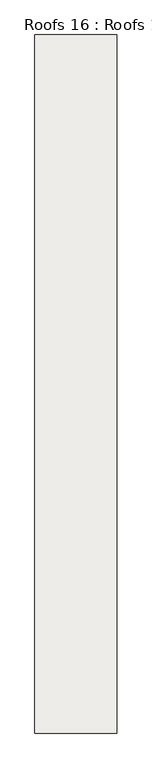
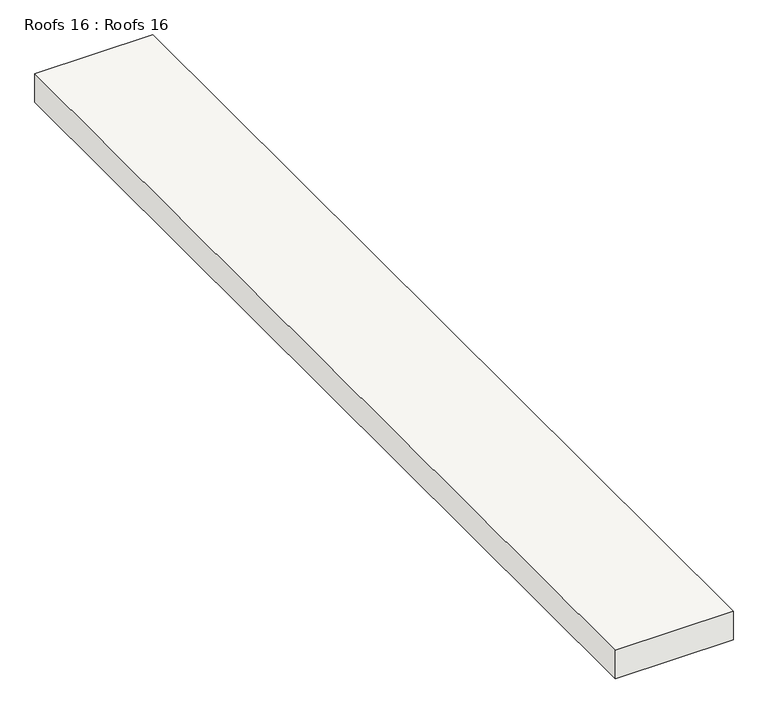
"""IFC4 building model written with IfcOpenShell, lengths in millimetres: roof geometry, Roofs 16 : Roofs 16."""

from ifc_helpers import new_model, si_unit, frame, origin, place, context, project, spatial, polyline, outline, extrude, source, transform, mapped, element, save


def roofs_16_roofs_16_436515b4(model_context):
    return source(origin(), model_context, "Body", "SweptSolid", [
        extrude(outline(polyline([(-25942.7603773, -9236.6811541), (-26342.8103773, -9236.6811541), (-26342.8103773, -5824.7834235), (-25942.7603773, -5824.7834235), (-25942.7603773, -9236.6811541)])), frame((0.0, 0.0, -2152.65), z_axis=(0.0, 0.0, 1.0), x_axis=(1.0, 0.0, 0.0)), (0.0, 0.0, 1.0), 101.6),
    ])


if __name__ == "__main__":
    model = new_model("IFC4")
    model_context = context("Model", 3, world=origin())
    ifc_project = project(units=[si_unit("LENGTHUNIT", "METRE", prefix="MILLI")], contexts=[model_context])
    site = spatial("IfcSite", under=ifc_project)
    building = spatial("IfcBuilding", under=site)
    placement = place(None, origin())
    roofs_16_roofs_16_shape = roofs_16_roofs_16_436515b4(model_context)
    element("IfcRoof", 1, ObjectType="Roofs 16 : Roofs 16", at=placement, inside=building, context=model_context, shape_type="MappedRepresentation", body=[
        mapped(roofs_16_roofs_16_shape, transform((0.0, 0.0, 0.0), x_axis=(1.0, 0.0, 0.0), y_axis=(0.0, 1.0, 0.0), z_axis=(0.0, 0.0, 1.0))),
    ])
    save(model, "model.ifc")
